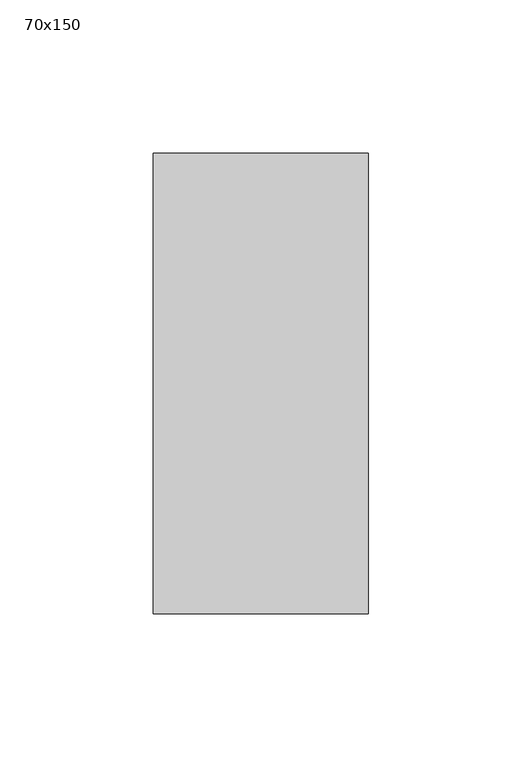
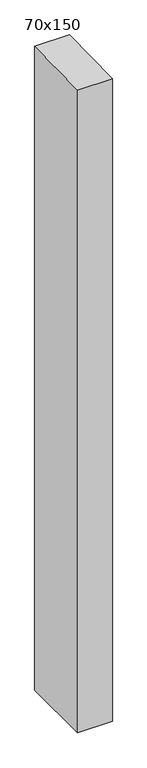
"""IFC4 building model written with IfcOpenShell, lengths in millimetres: member geometry, 70x150."""

from ifc_helpers import new_model, si_unit, frame, origin, place, context, project, spatial, polyline, outline, extrude, source, transform, mapped, element, save


def member_70x150_6ada4150(model_context):
    return source(origin(), model_context, "Body", "SweptSolid", [
        extrude(outline(polyline([(-75.0, -1.1332028), (75.0, 1.1332028), (75.0, -1371.8279477), (-75.0, -1370.7802835), (-75.0, -1.1332028)])), frame((-35.0, 0.0, 0.0), z_axis=(1.0, 0.0, 0.0), x_axis=(0.0, 1.0, 0.0)), (0.0, 0.0, 1.0), 70.0),
    ])


if __name__ == "__main__":
    model = new_model("IFC4")
    model_context = context("Model", 3, world=origin())
    ifc_project = project(units=[si_unit("LENGTHUNIT", "METRE", prefix="MILLI")], contexts=[model_context])
    site = spatial("IfcSite", under=ifc_project)
    building = spatial("IfcBuilding", under=site)
    placement = place(None, origin())
    member_70x150_shape = member_70x150_6ada4150(model_context)
    element("IfcMember", 1, ObjectType="70x150", at=placement, inside=building, context=model_context, shape_type="MappedRepresentation", body=[
        mapped(member_70x150_shape, transform((0.0, 0.0, 0.0), x_axis=(1.0, 0.0, 0.0), y_axis=(0.0, 1.0, 0.0), z_axis=(0.0, 0.0, 1.0))),
    ])
    save(model, "model.ifc")
